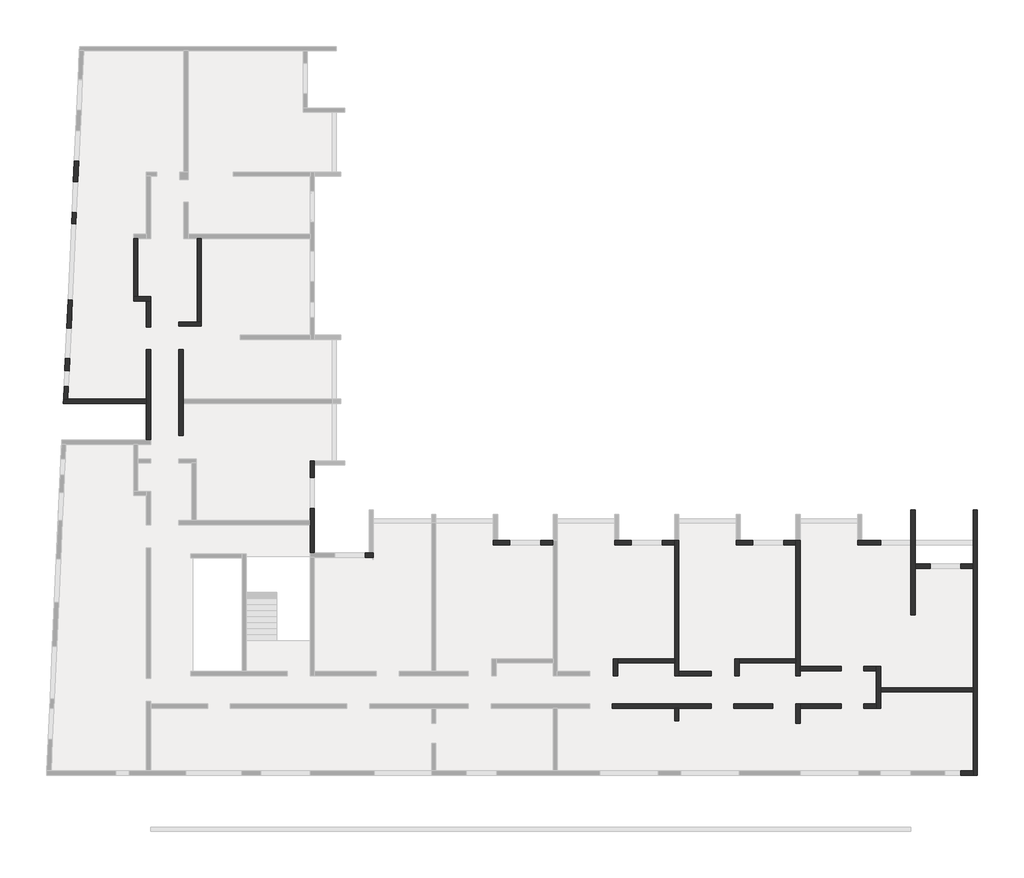
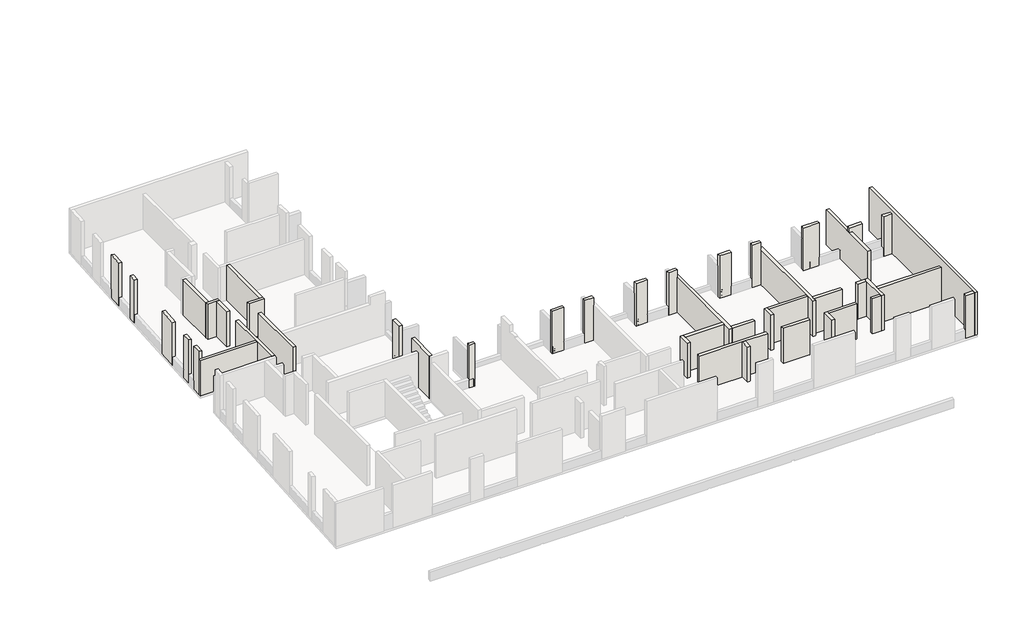
# One storey, part 2 of 5: 45 walls.
"""IFC4 building model written with IfcOpenShell, lengths in millimetres."""

from ifc_helpers import new_model, si_unit, frame, origin, place, context, project, spatial, polyline, outline, extrude, faceted_brep, element, save

model = new_model("IFC4")

# Units and contexts
model_context = context("Model", 3, world=origin())
ifc_project = project(units=[si_unit("LENGTHUNIT", "METRE", prefix="MILLI")], contexts=[model_context])

# Site, building, storey
site = spatial("IfcSite", under=ifc_project)
building = spatial("IfcBuilding", under=site)
storey = spatial("IfcBuildingStorey", under=building, Elevation=19880.0)

# Walls
placement = place(None, origin())
element("IfcWall", 1, ObjectType="MHA20", at=placement, inside=storey, context=model_context, shape_type="Brep", body=[
    faceted_brep([(-2535.6912908, -13279.0672499, 19880.0), (-2535.6912908, -12519.0672499, 19880.0), (-2535.6912908, -12319.0672499, 19880.0), (-2535.6912908, -11329.0672499, 19880.0), (-2535.6912908, -11329.0672499, 22410.0), (-2535.6912908, -12319.0672499, 22410.0), (-2535.6912908, -12519.0672499, 22410.0), (-2535.6912908, -13279.0672499, 22410.0), (-2735.6912908, -13279.0672499, 19880.0), (-2735.6912908, -13279.0672499, 22410.0), (-2735.6912908, -13079.0672499, 22410.0), (-2735.6912908, -11529.0672499, 22410.0), (-2735.6912908, -11329.0672499, 22410.0), (-2735.6912908, -11329.0672499, 19880.0), (-2735.6912908, -11529.0672499, 19880.0), (-2735.6912908, -13079.0672499, 19880.0)], [[[0, 1, 2, 3, 4, 5, 6, 7]], [[8, 9, 10, 11, 12, 13, 14, 15]], [[3, 2, 1, 0, 8, 15, 14, 13]], [[7, 6, 5, 4, 12, 11, 10, 9]], [[4, 3, 13, 12]], [[0, 7, 9, 8]]]),
])
element("IfcWall", 2, ObjectType="MHA20", at=placement, inside=storey, context=model_context, shape_type="SweptSolid", body=[
    extrude(outline(polyline([(1794.3087092, -12519.0672499), (-2535.6912908, -12519.0672499), (-2535.6912908, -12319.0672499), (1794.3087092, -12319.0672499), (1794.3087092, -12519.0672499)])), frame((0.0, 0.0, 19880.0), z_axis=(0.0, 0.0, 1.0), x_axis=(1.0, 0.0, 0.0)), (0.0, 0.0, 1.0), 2530.0),
])
element("IfcWall", 3, ObjectType="MHA20", at=placement, inside=storey, context=model_context, shape_type="Brep", body=[
    faceted_brep([(1994.3087092, -16419.0672499, 19880.0), (1994.3087092, -3999.0672499, 19880.0), (1994.3087092, -3999.0672499, 22960.0), (1994.3087092, -16419.0672499, 22960.0), (1794.3087092, -16419.0672499, 19880.0), (1794.3087092, -16419.0672499, 22960.0), (1794.3087092, -16219.0672499, 22960.0), (1794.3087092, -3999.0672499, 22960.0), (1794.3087092, -3999.0672499, 19880.0), (1794.3087092, -6519.0672499, 19880.0), (1794.3087092, -6719.0672499, 19880.0), (1794.3087092, -12319.0672499, 19880.0), (1794.3087092, -12519.0672499, 19880.0), (1794.3087092, -16219.0672499, 19880.0)], [[[0, 1, 2, 3]], [[4, 5, 6, 7, 8, 9, 10, 11, 12, 13]], [[1, 0, 4, 13, 12, 11, 10, 9, 8]], [[2, 1, 8, 7]], [[3, 2, 7, 6, 5]], [[0, 3, 5, 4]]]),
])
element("IfcWall", 4, ObjectType="MHA20", at=placement, inside=storey, context=model_context, shape_type="SweptSolid", body=[
    extrude(outline(polyline([(-2735.6912908, -11529.0672499), (-3335.6912908, -11529.0672499), (-3335.6912908, -11329.0672499), (-2735.6912908, -11329.0672499), (-2735.6912908, -11529.0672499)])), frame((0.0, 0.0, 19880.0), z_axis=(0.0, 0.0, 1.0), x_axis=(1.0, 0.0, 0.0)), (0.0, 0.0, 1.0), 2530.0),
])
element("IfcWall", 5, ObjectType="MHA20", at=placement, inside=storey, context=model_context, shape_type="SweptSolid", body=[
    extrude(outline(polyline([(-6305.6912908, -11329.0672499), (-4395.6912908, -11329.0672499), (-4395.6912908, -11529.0672499), (-6305.6912908, -11529.0672499), (-6305.6912908, -11329.0672499)])), frame((0.0, 0.0, 19880.0), z_axis=(0.0, 0.0, 1.0), x_axis=(1.0, 0.0, 0.0)), (0.0, 0.0, 1.0), 2530.0),
])
element("IfcWall", 6, ObjectType="MHA20", at=placement, inside=storey, context=model_context, shape_type="SweptSolid", body=[
    extrude(outline(polyline([(-3335.6912908, -13079.0672499), (-2735.6912908, -13079.0672499), (-2735.6912908, -13279.0672499), (-3335.6912908, -13279.0672499), (-3335.6912908, -13079.0672499)])), frame((0.0, 0.0, 19880.0), z_axis=(0.0, 0.0, 1.0), x_axis=(1.0, 0.0, 0.0)), (0.0, 0.0, 1.0), 2530.0),
])
element("IfcWall", 7, ObjectType="MHA20", at=placement, inside=storey, context=model_context, shape_type="Brep", body=[
    faceted_brep([(-6305.6912908, -13989.0672499, 19880.0), (-6305.6912908, -13279.0672499, 19880.0), (-6305.6912908, -13079.0672499, 19880.0), (-6305.6912908, -13079.0672499, 22410.0), (-6305.6912908, -13279.0672499, 22410.0), (-6305.6912908, -13989.0672499, 22410.0), (-6505.6912908, -13989.0672499, 19880.0), (-6505.6912908, -13989.0672499, 22410.0), (-6505.6912908, -13079.0672499, 22410.0), (-6505.6912908, -13079.0672499, 19880.0)], [[[0, 1, 2, 3, 4, 5]], [[6, 7, 8, 9]], [[2, 1, 0, 6, 9]], [[5, 4, 3, 8, 7]], [[0, 5, 7, 6]], [[3, 2, 9, 8]]]),
])
element("IfcWall", 8, ObjectType="MHA20", at=placement, inside=storey, context=model_context, shape_type="Brep", body=[
    faceted_brep([(-6305.6912908, -11759.0672499, 19880.0), (-6305.6912908, -11529.0672499, 19880.0), (-6305.6912908, -11329.0672499, 19880.0), (-6305.6912908, -5419.0672499, 19880.0), (-6305.6912908, -5419.0672499, 22110.0), (-6305.6912908, -5419.0672499, 22410.0), (-6305.6912908, -11329.0672499, 22410.0), (-6305.6912908, -11529.0672499, 22410.0), (-6305.6912908, -11759.0672499, 22410.0), (-6505.6912908, -11759.0672499, 19880.0), (-6505.6912908, -11759.0672499, 22410.0), (-6505.6912908, -11159.0672499, 22410.0), (-6505.6912908, -10959.0672499, 22410.0), (-6505.6912908, -5619.0672499, 22410.0), (-6505.6912908, -5419.0672499, 22410.0), (-6505.6912908, -5419.0672499, 22110.0), (-6505.6912908, -5419.0672499, 19880.0), (-6505.6912908, -5619.0672499, 19880.0), (-6505.6912908, -10959.0672499, 19880.0), (-6505.6912908, -11159.0672499, 19880.0)], [[[0, 1, 2, 3, 4, 5, 6, 7, 8]], [[9, 10, 11, 12, 13, 14, 15, 16, 17, 18, 19]], [[3, 2, 1, 0, 9, 19, 18, 17, 16]], [[8, 7, 6, 5, 14, 13, 12, 11, 10]], [[0, 8, 10, 9]], [[5, 4, 3, 16, 15, 14]]]),
])
element("IfcWall", 9, ObjectType="MHA20", at=placement, inside=storey, context=model_context, shape_type="SweptSolid", body=[
    extrude(outline(polyline([(19880.0, -925.6912908), (19880.0, -225.6912908), (22750.0, -225.6912908), (22750.0, -1125.6912908), (22410.0, -1125.6912908), (22410.0, -925.6912908), (19880.0, -925.6912908)])), frame((0.0, -6719.0672499, 0.0), z_axis=(0.0, 1.0, 0.0), x_axis=(0.0, 0.0, 1.0)), (0.0, 0.0, 1.0), 200.0),
])
element("IfcWall", 10, ObjectType="MHA20", at=placement, inside=storey, context=model_context, shape_type="SweptSolid", body=[
    extrude(outline(polyline([(1794.3087092, -6719.0672499), (1214.3087092, -6719.0672499), (1214.3087092, -6519.0672499), (1794.3087092, -6519.0672499), (1794.3087092, -6719.0672499)])), frame((0.0, 0.0, 19880.0), z_axis=(0.0, 0.0, 1.0), x_axis=(1.0, 0.0, 0.0)), (0.0, 0.0, 1.0), 2870.0),
])
element("IfcWall", 11, ObjectType="MHA20", at=placement, inside=storey, context=model_context, shape_type="Brep", body=[
    faceted_brep([(-1125.6912908, -3999.0672499, 19880.0), (-1125.6912908, -5419.0672499, 19880.0), (-1125.6912908, -5619.0672499, 19880.0), (-1125.6912908, -8899.0672499, 19880.0), (-1125.6912908, -8899.0672499, 22410.0), (-1125.6912908, -3999.0672499, 22410.0), (-925.6912908, -3999.0672499, 19880.0), (-925.6912908, -3999.0672499, 22410.0), (-925.6912908, -6519.0672499, 22410.0), (-925.6912908, -6719.0672499, 22410.0), (-925.6912908, -8899.0672499, 22410.0), (-925.6912908, -8899.0672499, 19880.0), (-925.6912908, -6719.0672499, 19880.0), (-925.6912908, -6519.0672499, 19880.0)], [[[0, 1, 2, 3, 4, 5]], [[6, 7, 8, 9, 10, 11, 12, 13]], [[3, 2, 1, 0, 6, 13, 12, 11]], [[4, 3, 11, 10]], [[5, 4, 10, 9, 8, 7]], [[0, 5, 7, 6]]]),
])
element("IfcWall", 12, ObjectType="MHA20", at=placement, inside=storey, context=model_context, shape_type="Brep", body=[
    faceted_brep([(-3615.6912908, -5619.0672499, 19880.0), (-2545.6912908, -5619.0672499, 19880.0), (-2545.6912908, -5619.0672499, 20480.0), (-2545.6912908, -5619.0672499, 22410.0), (-2545.6912908, -5619.0672499, 22795.0), (-2545.6912908, -5619.0672499, 22945.0), (-3615.6912908, -5619.0672499, 22945.0), (-3615.6912908, -5619.0672499, 22795.0), (-3615.6912908, -5619.0672499, 22410.0), (-3615.6912908, -5419.0672499, 19880.0), (-3615.6912908, -5419.0672499, 22110.0), (-3615.6912908, -5419.0672499, 22410.0), (-3615.6912908, -5419.0672499, 22796.8518519), (-3615.6912908, -5419.0672499, 22945.0), (-2545.6912908, -5419.0672499, 22945.0), (-2545.6912908, -5419.0672499, 22796.8518519), (-2545.6912908, -5419.0672499, 22410.0), (-2545.6912908, -5419.0672499, 20480.0), (-2545.6912908, -5419.0672499, 19880.0), (-3415.6912908, -5419.0672499, 19880.0)], [[[0, 1, 2, 3, 4, 5, 6, 7, 8]], [[9, 10, 11, 12, 13, 14, 15, 16, 17, 18, 19]], [[1, 0, 9, 19, 18]], [[5, 4, 3, 2, 1, 18, 17, 16, 15, 14]], [[6, 5, 14, 13]], [[0, 8, 7, 6, 13, 12, 11, 10, 9]]]),
])
element("IfcWall", 13, ObjectType="MHA20", at=placement, inside=storey, context=model_context, shape_type="SweptSolid", body=[
    extrude(outline(polyline([(-11995.6912908, -13279.0672499), (-11995.6912908, -13879.0672499), (-12195.6912908, -13879.0672499), (-12195.6912908, -13279.0672499), (-11995.6912908, -13279.0672499)])), frame((0.0, 0.0, 19880.0), z_axis=(0.0, 0.0, 1.0), x_axis=(1.0, 0.0, 0.0)), (0.0, 0.0, 1.0), 2530.0),
])
element("IfcWall", 14, ObjectType="MHA20", at=placement, inside=storey, context=model_context, shape_type="Brep", body=[
    faceted_brep([(-11995.6912908, -11759.0672499, 19880.0), (-11995.6912908, -11559.0672499, 19880.0), (-11995.6912908, -5419.0672499, 19880.0), (-11995.6912908, -5419.0672499, 22110.0), (-11995.6912908, -5419.0672499, 22410.0), (-11995.6912908, -11559.0672499, 22410.0), (-11995.6912908, -11759.0672499, 22410.0), (-12195.6912908, -11759.0672499, 19880.0), (-12195.6912908, -11759.0672499, 22410.0), (-12195.6912908, -11159.0672499, 22410.0), (-12195.6912908, -10959.0672499, 22410.0), (-12195.6912908, -5619.0672499, 22410.0), (-12195.6912908, -5419.0672499, 22410.0), (-12195.6912908, -5419.0672499, 22110.0), (-12195.6912908, -5419.0672499, 19880.0), (-12195.6912908, -5619.0672499, 19880.0), (-12195.6912908, -10959.0672499, 19880.0), (-12195.6912908, -11159.0672499, 19880.0)], [[[0, 1, 2, 3, 4, 5, 6]], [[7, 8, 9, 10, 11, 12, 13, 14, 15, 16, 17]], [[2, 1, 0, 7, 17, 16, 15, 14]], [[6, 5, 4, 12, 11, 10, 9, 8]], [[0, 6, 8, 7]], [[4, 3, 2, 14, 13, 12]]]),
])
element("IfcWall", 15, ObjectType="MHA20", at=placement, inside=storey, context=model_context, shape_type="Brep", body=[
    faceted_brep([(-9305.6912908, -5619.0672499, 19880.0), (-8525.6912908, -5619.0672499, 19880.0), (-8525.6912908, -5619.0672499, 20480.0), (-8525.6912908, -5619.0672499, 22410.0), (-8525.6912908, -5619.0672499, 22945.0), (-9305.6912908, -5619.0672499, 22945.0), (-9305.6912908, -5619.0672499, 22410.0), (-9305.6912908, -5419.0672499, 19880.0), (-9305.6912908, -5419.0672499, 22110.0), (-9305.6912908, -5419.0672499, 22410.0), (-9305.6912908, -5419.0672499, 22945.0), (-8525.6912908, -5419.0672499, 22945.0), (-8525.6912908, -5419.0672499, 22410.0), (-8525.6912908, -5419.0672499, 20480.0), (-8525.6912908, -5419.0672499, 19880.0), (-9105.6912908, -5419.0672499, 19880.0)], [[[0, 1, 2, 3, 4, 5, 6]], [[7, 8, 9, 10, 11, 12, 13, 14, 15]], [[1, 0, 7, 15, 14]], [[4, 3, 2, 1, 14, 13, 12, 11]], [[5, 4, 11, 10]], [[0, 6, 5, 10, 9, 8, 7]]]),
])
element("IfcWall", 16, ObjectType="MHA20", at=placement, inside=storey, context=model_context, shape_type="Brep", body=[
    faceted_brep([(-14995.6912908, -5619.0672499, 19880.0), (-14215.6912908, -5619.0672499, 19880.0), (-14215.6912908, -5619.0672499, 20480.0), (-14215.6912908, -5619.0672499, 22410.0), (-14215.6912908, -5619.0672499, 22795.0), (-14215.6912908, -5619.0672499, 22945.0), (-14995.6912908, -5619.0672499, 22945.0), (-14995.6912908, -5619.0672499, 22795.0), (-14995.6912908, -5619.0672499, 22410.0), (-14995.6912908, -5419.0672499, 19880.0), (-14995.6912908, -5419.0672499, 22110.0), (-14995.6912908, -5419.0672499, 22410.0), (-14995.6912908, -5419.0672499, 22796.8518519), (-14995.6912908, -5419.0672499, 22945.0), (-14215.6912908, -5419.0672499, 22945.0), (-14215.6912908, -5419.0672499, 22796.8518519), (-14215.6912908, -5419.0672499, 22410.0), (-14215.6912908, -5419.0672499, 20480.0), (-14215.6912908, -5419.0672499, 19880.0), (-14795.6912908, -5419.0672499, 19880.0)], [[[0, 1, 2, 3, 4, 5, 6, 7, 8]], [[9, 10, 11, 12, 13, 14, 15, 16, 17, 18, 19]], [[1, 0, 9, 19, 18]], [[5, 4, 3, 2, 1, 18, 17, 16, 15, 14]], [[6, 5, 14, 13]], [[0, 8, 7, 6, 13, 12, 11, 10, 9]]]),
])
element("IfcWall", 17, ObjectType="MHA20", at=placement, inside=storey, context=model_context, shape_type="Brep", body=[
    faceted_brep([(-12775.6912908, -5619.0672499, 19880.0), (-12195.6912908, -5619.0672499, 19880.0), (-12195.6912908, -5619.0672499, 22410.0), (-12195.6912908, -5619.0672499, 22945.0), (-12775.6912908, -5619.0672499, 22945.0), (-12775.6912908, -5619.0672499, 22795.0), (-12775.6912908, -5619.0672499, 22410.0), (-12775.6912908, -5619.0672499, 20480.0), (-12775.6912908, -5419.0672499, 19880.0), (-12775.6912908, -5419.0672499, 20480.0), (-12775.6912908, -5419.0672499, 22410.0), (-12775.6912908, -5419.0672499, 22796.8518519), (-12775.6912908, -5419.0672499, 22945.0), (-12195.6912908, -5419.0672499, 22945.0), (-12195.6912908, -5419.0672499, 22410.0), (-12195.6912908, -5419.0672499, 19880.0)], [[[0, 1, 2, 3, 4, 5, 6, 7]], [[8, 9, 10, 11, 12, 13, 14, 15]], [[1, 0, 8, 15]], [[4, 3, 13, 12]], [[0, 7, 6, 5, 4, 12, 11, 10, 9, 8]], [[3, 2, 1, 15, 14, 13]]]),
])
element("IfcWall", 18, ObjectType="MHA20", at=placement, inside=storey, context=model_context, shape_type="Brep", body=[
    faceted_brep([(-20685.6912908, -5619.0672499, 19880.0), (-19905.6912908, -5619.0672499, 19880.0), (-19905.6912908, -5619.0672499, 20480.0), (-19905.6912908, -5619.0672499, 22260.0), (-19905.6912908, -5619.0672499, 22795.0), (-19905.6912908, -5619.0672499, 22945.0), (-20685.6912908, -5619.0672499, 22945.0), (-20685.6912908, -5619.0672499, 22795.0), (-20685.6912908, -5619.0672499, 22260.0), (-20685.6912908, -5419.0672499, 19880.0), (-20685.6912908, -5419.0672499, 22110.0), (-20685.6912908, -5419.0672499, 22260.0), (-20685.6912908, -5419.0672499, 22796.8518519), (-20685.6912908, -5419.0672499, 22945.0), (-19905.6912908, -5419.0672499, 22945.0), (-19905.6912908, -5419.0672499, 22796.8518519), (-19905.6912908, -5419.0672499, 22260.0), (-19905.6912908, -5419.0672499, 20480.0), (-19905.6912908, -5419.0672499, 19880.0), (-20485.6912908, -5419.0672499, 19880.0)], [[[0, 1, 2, 3, 4, 5, 6, 7, 8]], [[9, 10, 11, 12, 13, 14, 15, 16, 17, 18, 19]], [[1, 0, 9, 19, 18]], [[5, 4, 3, 2, 1, 18, 17, 16, 15, 14]], [[6, 5, 14, 13]], [[0, 8, 7, 6, 13, 12, 11, 10, 9]]]),
])
element("IfcWall", 19, ObjectType="MHA20", at=placement, inside=storey, context=model_context, shape_type="Brep", body=[
    faceted_brep([(-18465.6912908, -5619.0672499, 19880.0), (-17885.6912908, -5619.0672499, 19880.0), (-17885.6912908, -5619.0672499, 22410.0), (-17885.6912908, -5619.0672499, 22795.0), (-17885.6912908, -5619.0672499, 22945.0), (-18465.6912908, -5619.0672499, 22945.0), (-18465.6912908, -5619.0672499, 22795.0), (-18465.6912908, -5619.0672499, 22260.0), (-18465.6912908, -5619.0672499, 20480.0), (-18465.6912908, -5419.0672499, 19880.0), (-18465.6912908, -5419.0672499, 20480.0), (-18465.6912908, -5419.0672499, 22260.0), (-18465.6912908, -5419.0672499, 22796.8518519), (-18465.6912908, -5419.0672499, 22945.0), (-17885.6912908, -5419.0672499, 22945.0), (-17885.6912908, -5419.0672499, 22796.8518519), (-17885.6912908, -5419.0672499, 22410.0), (-17885.6912908, -5419.0672499, 19880.0)], [[[0, 1, 2, 3, 4, 5, 6, 7, 8]], [[9, 10, 11, 12, 13, 14, 15, 16, 17]], [[1, 0, 9, 17]], [[5, 4, 14, 13]], [[0, 8, 7, 6, 5, 13, 12, 11, 10, 9]], [[4, 3, 2, 1, 17, 16, 15, 14]]]),
])
element("IfcWall", 20, ObjectType="MHA20", at=placement, inside=storey, context=model_context, shape_type="SweptSolid", body=[
    extrude(outline(polyline([(-9410.6912908, -13079.0672499), (-7595.6912908, -13079.0672499), (-7595.6912908, -13279.0672499), (-9410.6912908, -13279.0672499), (-9410.6912908, -13079.0672499)])), frame((0.0, 0.0, 19880.0), z_axis=(0.0, 0.0, 1.0), x_axis=(1.0, 0.0, 0.0)), (0.0, 0.0, 1.0), 2530.0),
])
element("IfcWall", 21, ObjectType="MHA20", at=placement, inside=storey, context=model_context, shape_type="SweptSolid", body=[
    extrude(outline(polyline([(-11995.6912908, -11559.0672499), (-10470.6912908, -11559.0672499), (-10470.6912908, -11759.0672499), (-11995.6912908, -11759.0672499), (-11995.6912908, -11559.0672499)])), frame((0.0, 0.0, 19880.0), z_axis=(0.0, 0.0, 1.0), x_axis=(1.0, 0.0, 0.0)), (0.0, 0.0, 1.0), 2530.0),
])
element("IfcWall", 22, ObjectType="MHA20", at=placement, inside=storey, context=model_context, shape_type="Brep", body=[
    faceted_brep([(-9170.6912908, -11759.0672499, 19880.0), (-9170.6912908, -11159.0672499, 19880.0), (-9170.6912908, -10959.0672499, 19880.0), (-9170.6912908, -10959.0672499, 22410.0), (-9170.6912908, -11159.0672499, 22410.0), (-9170.6912908, -11759.0672499, 22410.0), (-9370.6912908, -11759.0672499, 19880.0), (-9370.6912908, -11759.0672499, 22410.0), (-9370.6912908, -10959.0672499, 22410.0), (-9370.6912908, -10959.0672499, 19880.0)], [[[0, 1, 2, 3, 4, 5]], [[6, 7, 8, 9]], [[2, 1, 0, 6, 9]], [[5, 4, 3, 8, 7]], [[0, 5, 7, 6]], [[3, 2, 9, 8]]]),
])
element("IfcWall", 23, ObjectType="MHA20", at=placement, inside=storey, context=model_context, shape_type="SweptSolid", body=[
    extrude(outline(polyline([(-6505.6912908, -11159.0672499), (-9170.6912908, -11159.0672499), (-9170.6912908, -10959.0672499), (-6505.6912908, -10959.0672499), (-6505.6912908, -11159.0672499)])), frame((0.0, 0.0, 19880.0), z_axis=(0.0, 0.0, 1.0), x_axis=(1.0, 0.0, 0.0)), (0.0, 0.0, 1.0), 2530.0),
])
element("IfcWall", 24, ObjectType="MHA20", at=placement, inside=storey, context=model_context, shape_type="Brep", body=[
    faceted_brep([(-14860.6912908, -11759.0672499, 19880.0), (-14860.6912908, -11159.0672499, 19880.0), (-14860.6912908, -10959.0672499, 19880.0), (-14860.6912908, -10959.0672499, 22410.0), (-14860.6912908, -11159.0672499, 22410.0), (-14860.6912908, -11759.0672499, 22410.0), (-15060.6912908, -11759.0672499, 19880.0), (-15060.6912908, -11759.0672499, 22410.0), (-15060.6912908, -10959.0672499, 22410.0), (-15060.6912908, -10959.0672499, 19880.0)], [[[0, 1, 2, 3, 4, 5]], [[6, 7, 8, 9]], [[2, 1, 0, 6, 9]], [[5, 4, 3, 8, 7]], [[0, 5, 7, 6]], [[3, 2, 9, 8]]]),
])
element("IfcWall", 25, ObjectType="MHA20", at=placement, inside=storey, context=model_context, shape_type="SweptSolid", body=[
    extrude(outline(polyline([(-12195.6912908, -11159.0672499), (-14860.6912908, -11159.0672499), (-14860.6912908, -10959.0672499), (-12195.6912908, -10959.0672499), (-12195.6912908, -11159.0672499)])), frame((0.0, 0.0, 19880.0), z_axis=(0.0, 0.0, 1.0), x_axis=(1.0, 0.0, 0.0)), (0.0, 0.0, 1.0), 2530.0),
])
element("IfcWall", 26, ObjectType="MHA20", at=placement, inside=storey, context=model_context, shape_type="Brep", body=[
    faceted_brep([(-26675.6912908, -6204.0672499, 19880.0), (-26295.6912908, -6204.0672499, 19880.0), (-26295.6912908, -6204.0672499, 22260.0), (-26295.6912908, -6204.0672499, 22960.0), (-26675.6912908, -6204.0672499, 22960.0), (-26675.6912908, -6204.0672499, 22260.0), (-26675.6912908, -6204.0672499, 20480.0), (-26675.6912908, -6004.0672499, 19880.0), (-26675.6912908, -6004.0672499, 20480.0), (-26675.6912908, -6004.0672499, 22260.0), (-26675.6912908, -6004.0672499, 22960.0), (-26495.6912908, -6004.0672499, 22960.0), (-26295.6912908, -6004.0672499, 22960.0), (-26295.6912908, -6004.0672499, 22260.0), (-26295.6912908, -6004.0672499, 22110.0), (-26295.6912908, -6004.0672499, 19880.0), (-26495.6912908, -6004.0672499, 19880.0)], [[[0, 1, 2, 3, 4, 5, 6]], [[7, 8, 9, 10, 11, 12, 13, 14, 15, 16]], [[1, 0, 7, 16, 15]], [[3, 2, 1, 15, 14, 13, 12]], [[4, 3, 12, 11, 10]], [[0, 6, 5, 4, 10, 9, 8, 7]]]),
])
element("IfcWall", 27, ObjectType="MHA20", at=placement, inside=storey, context=model_context, shape_type="Brep", body=[
    faceted_brep([(-35205.6912908, -509.0672499, 19880.0), (-35205.6912908, 1000.9327501, 19880.0), (-35205.6912908, 1200.9327501, 19880.0), (-35205.6912908, 3530.9327501, 19880.0), (-35205.6912908, 3530.9327501, 22410.0), (-35205.6912908, 1200.9327501, 22410.0), (-35205.6912908, 1000.9327501, 22410.0), (-35205.6912908, -509.0672499, 22410.0), (-35405.6912908, -509.0672499, 19880.0), (-35405.6912908, -509.0672499, 22410.0), (-35405.6912908, 3530.9327501, 22410.0), (-35405.6912908, 3530.9327501, 19880.0)], [[[0, 1, 2, 3, 4, 5, 6, 7]], [[8, 9, 10, 11]], [[3, 2, 1, 0, 8, 11]], [[4, 3, 11, 10]], [[7, 6, 5, 4, 10, 9]], [[0, 7, 9, 8]]]),
])
element("IfcWall", 28, ObjectType="MHA20", at=placement, inside=storey, context=model_context, shape_type="Brep", body=[
    faceted_brep([(-40818.7913521, 1000.9327501, 19880.0), (-36935.6912908, 1000.9327501, 19880.0), (-36935.6912908, 1000.9327501, 22410.0), (-40618.5856603, 1000.9327501, 22410.0), (-40818.7913521, 1000.9327501, 22410.0), (-40809.7183696, 1200.9327501, 19880.0), (-40809.7183696, 1200.9327501, 22410.0), (-40609.5126779, 1200.9327501, 22410.0), (-36935.6912908, 1200.9327501, 22410.0), (-36935.6912908, 1200.9327501, 19880.0), (-40609.5126779, 1200.9327501, 19880.0)], [[[0, 1, 2, 3, 4]], [[5, 6, 7, 8, 9, 10]], [[1, 0, 5, 10, 9]], [[4, 3, 2, 8, 7, 6]], [[2, 1, 9, 8]], [[0, 4, 6, 5]]]),
])
element("IfcWall", 29, ObjectType="MHA20", at=placement, inside=storey, context=model_context, shape_type="Brep", body=[
    faceted_brep([(-29065.6912908, -2469.0672499, 19880.0), (-29065.6912908, -1889.5482142, 19880.0), (-29065.6912908, -1689.5482142, 19880.0), (-29065.6912908, -1689.5482142, 22110.0), (-29065.6912908, -1689.5482142, 22260.0), (-29065.6912908, -1689.5482142, 22410.0), (-29065.6912908, -1689.5482142, 22945.0), (-29065.6912908, -1689.5482142, 22960.0), (-29065.6912908, -1889.5482142, 22960.0), (-29065.6912908, -2469.0672499, 22960.0), (-29065.6912908, -2469.0672499, 22410.0), (-29065.6912908, -2469.0672499, 20480.0), (-29265.6912908, -2469.0672499, 19880.0), (-29265.6912908, -2469.0672499, 20480.0), (-29265.6912908, -2469.0672499, 22410.0), (-29265.6912908, -2469.0672499, 22960.0), (-29265.6912908, -1689.5482142, 22960.0), (-29265.6912908, -1689.5482142, 22945.0), (-29265.6912908, -1689.5482142, 22410.0), (-29265.6912908, -1689.5482142, 19880.0)], [[[0, 1, 2, 3, 4, 5, 6, 7, 8, 9, 10, 11]], [[12, 13, 14, 15, 16, 17, 18, 19]], [[2, 1, 0, 12, 19]], [[7, 6, 5, 4, 3, 2, 19, 18, 17, 16]], [[9, 8, 7, 16, 15]], [[0, 11, 10, 9, 15, 14, 13, 12]]]),
])
element("IfcWall", 30, ObjectType="MHA20", at=placement, inside=storey, context=model_context, shape_type="Brep", body=[
    faceted_brep([(-35405.6912908, 4620.9327501, 19880.0), (-34355.6912908, 4620.9327501, 19880.0), (-34355.6912908, 4620.9327501, 22410.0), (-35405.6912908, 4620.9327501, 22410.0), (-35405.6912908, 4820.9327501, 19880.0), (-35405.6912908, 4820.9327501, 22410.0), (-34555.6912908, 4820.9327501, 22410.0), (-34355.6912908, 4820.9327501, 22410.0), (-34355.6912908, 4820.9327501, 19880.0), (-34555.6912908, 4820.9327501, 19880.0)], [[[0, 1, 2, 3]], [[4, 5, 6, 7, 8, 9]], [[1, 0, 4, 9, 8]], [[3, 2, 7, 6, 5]], [[0, 3, 5, 4]], [[2, 1, 8, 7]]]),
])
element("IfcWall", 31, ObjectType="MHA20", at=placement, inside=storey, context=model_context, shape_type="SweptSolid", body=[
    extrude(outline(polyline([(-34355.6912908, 8730.9327501), (-34355.6912908, 4820.9327501), (-34555.6912908, 4820.9327501), (-34555.6912908, 8730.9327501), (-34355.6912908, 8730.9327501)])), frame((0.0, 0.0, 19880.0), z_axis=(0.0, 0.0, 1.0), x_axis=(1.0, 0.0, 0.0)), (0.0, 0.0, 1.0), 2530.0),
])
element("IfcWall", 32, ObjectType="MHA20", at=placement, inside=storey, context=model_context, shape_type="Brep", body=[
    faceted_brep([(-36735.6912908, -714.0672499, 19880.0), (-36735.6912908, 3530.9327501, 19880.0), (-36735.6912908, 3530.9327501, 22410.0), (-36735.6912908, -714.0672499, 22410.0), (-36935.6912908, -714.0672499, 19880.0), (-36935.6912908, -714.0672499, 22410.0), (-36935.6912908, 1000.9327501, 22410.0), (-36935.6912908, 1200.9327501, 22410.0), (-36935.6912908, 3530.9327501, 22410.0), (-36935.6912908, 3530.9327501, 19880.0), (-36935.6912908, 1200.9327501, 19880.0), (-36935.6912908, 1000.9327501, 19880.0)], [[[0, 1, 2, 3]], [[4, 5, 6, 7, 8, 9, 10, 11]], [[1, 0, 4, 11, 10, 9]], [[2, 1, 9, 8]], [[3, 2, 8, 7, 6, 5]], [[0, 3, 5, 4]]]),
])
element("IfcWall", 33, ObjectType="MHA20", at=placement, inside=storey, context=model_context, shape_type="SweptSolid", body=[
    extrude(outline(polyline([(-37535.6912908, 6010.9327501), (-37535.6912908, 8730.9327501), (-37335.6912908, 8730.9327501), (-37335.6912908, 6010.9327501), (-37535.6912908, 6010.9327501)])), frame((0.0, 0.0, 19880.0), z_axis=(0.0, 0.0, 1.0), x_axis=(1.0, 0.0, 0.0)), (0.0, 0.0, 1.0), 2530.0),
])
element("IfcWall", 34, ObjectType="MHA20", at=placement, inside=storey, context=model_context, shape_type="Brep", body=[
    faceted_brep([(-37535.6912908, 5810.9327501, 19880.0), (-36935.6912908, 5810.9327501, 19880.0), (-36735.6912908, 5810.9327501, 19880.0), (-36735.6912908, 5810.9327501, 22410.0), (-36935.6912908, 5810.9327501, 22410.0), (-37535.6912908, 5810.9327501, 22410.0), (-37535.6912908, 6010.9327501, 19880.0), (-37535.6912908, 6010.9327501, 22410.0), (-37335.6912908, 6010.9327501, 22410.0), (-36735.6912908, 6010.9327501, 22410.0), (-36735.6912908, 6010.9327501, 19880.0), (-37335.6912908, 6010.9327501, 19880.0)], [[[0, 1, 2, 3, 4, 5]], [[6, 7, 8, 9, 10, 11]], [[2, 1, 0, 6, 11, 10]], [[5, 4, 3, 9, 8, 7]], [[0, 5, 7, 6]], [[3, 2, 10, 9]]]),
])
element("IfcWall", 35, ObjectType="MHA20", at=placement, inside=storey, context=model_context, shape_type="Brep", body=[
    faceted_brep([(-7085.6912908, -5619.0672499, 19880.0), (-6505.6912908, -5619.0672499, 19880.0), (-6505.6912908, -5619.0672499, 22410.0), (-6505.6912908, -5619.0672499, 22795.0), (-6505.6912908, -5619.0672499, 22945.0), (-7085.6912908, -5619.0672499, 22945.0), (-7085.6912908, -5619.0672499, 22410.0), (-7085.6912908, -5619.0672499, 20480.0), (-7085.6912908, -5419.0672499, 19880.0), (-7085.6912908, -5419.0672499, 20480.0), (-7085.6912908, -5419.0672499, 22410.0), (-7085.6912908, -5419.0672499, 22945.0), (-6505.6912908, -5419.0672499, 22945.0), (-6505.6912908, -5419.0672499, 22796.8518519), (-6505.6912908, -5419.0672499, 22410.0), (-6505.6912908, -5419.0672499, 19880.0)], [[[0, 1, 2, 3, 4, 5, 6, 7]], [[8, 9, 10, 11, 12, 13, 14, 15]], [[1, 0, 8, 15]], [[5, 4, 12, 11]], [[0, 7, 6, 5, 11, 10, 9, 8]], [[4, 3, 2, 1, 15, 14, 13, 12]]]),
])
element("IfcWall", 36, ObjectType="MHA20", at=placement, inside=storey, context=model_context, shape_type="SweptSolid", body=[
    extrude(outline(polyline([(1794.3087092, -16419.0672499), (1204.3087092, -16419.0672499), (1204.3087092, -16219.0672499), (1794.3087092, -16219.0672499), (1794.3087092, -16419.0672499)])), frame((0.0, 0.0, 19880.0), z_axis=(0.0, 0.0, 1.0), x_axis=(1.0, 0.0, 0.0)), (0.0, 0.0, 1.0), 3080.0),
])
element("IfcWall", 37, ObjectType="MHA20", at=placement, inside=storey, context=model_context, shape_type="Brep", body=[
    faceted_brep([(-40303.6745126, 12355.8944008, 19880.0), (-40347.1800848, 11396.8807068, 19880.0), (-40347.1800848, 11396.8807068, 20480.0), (-40347.1800848, 11396.8807068, 22410.0), (-40347.1800848, 11396.8807068, 22960.0), (-40303.6745126, 12355.8944008, 22960.0), (-40303.6745126, 12355.8944008, 22410.0), (-40303.6745126, 12355.8944008, 20480.0), (-40103.8799931, 12346.8307399, 19880.0), (-40103.8799931, 12346.8307399, 20480.0), (-40103.8799931, 12346.8307399, 22410.0), (-40103.8799931, 12346.8307399, 22960.0), (-40147.3855652, 11387.817046, 22960.0), (-40147.3855652, 11387.817046, 22410.0), (-40147.3855652, 11387.817046, 20480.0), (-40147.3855652, 11387.817046, 19880.0)], [[[0, 1, 2, 3, 4, 5, 6, 7]], [[8, 9, 10, 11, 12, 13, 14, 15]], [[1, 0, 8, 15]], [[4, 3, 2, 1, 15, 14, 13, 12]], [[5, 4, 12, 11]], [[0, 7, 6, 5, 11, 10, 9, 8]]]),
])
element("IfcWall", 38, ObjectType="MHA20", at=placement, inside=storey, context=model_context, shape_type="Brep", body=[
    faceted_brep([(-40412.4384429, 9958.3601659, 19880.0), (-40436.6837357, 9423.909826, 19880.0), (-40436.6837357, 9423.909826, 20480.0), (-40436.6837357, 9423.909826, 22410.0), (-40436.6837357, 9423.909826, 22960.0), (-40412.4384429, 9958.3601659, 22960.0), (-40412.4384429, 9958.3601659, 22410.0), (-40412.4384429, 9958.3601659, 20480.0), (-40212.6439234, 9949.296505, 19880.0), (-40212.6439234, 9949.296505, 20480.0), (-40212.6439234, 9949.296505, 22410.0), (-40212.6439234, 9949.296505, 22960.0), (-40236.8892162, 9414.8461652, 22960.0), (-40236.8892162, 9414.8461652, 22410.0), (-40236.8892162, 9414.8461652, 20480.0), (-40236.8892162, 9414.8461652, 19880.0)], [[[0, 1, 2, 3, 4, 5, 6, 7]], [[8, 9, 10, 11, 12, 13, 14, 15]], [[1, 0, 8, 15]], [[4, 3, 2, 1, 15, 14, 13, 12]], [[5, 4, 12, 11]], [[0, 7, 6, 5, 11, 10, 9, 8]]]),
])
element("IfcWall", 39, ObjectType="MHA20", at=placement, inside=storey, context=model_context, shape_type="Brep", body=[
    faceted_brep([(-40598.016899, 5867.5673776, 19880.0), (-40658.0636522, 4543.9286854, 19880.0), (-40658.0636522, 4543.9286854, 20480.0), (-40658.0636522, 4543.9286854, 22410.0), (-40658.0636522, 4543.9286854, 22960.0), (-40598.016899, 5867.5673776, 22960.0), (-40598.016899, 5867.5673776, 22410.0), (-40598.016899, 5867.5673776, 20480.0), (-40398.2223794, 5858.5037168, 19880.0), (-40398.2223794, 5858.5037168, 20480.0), (-40398.2223794, 5858.5037168, 22410.0), (-40398.2223794, 5858.5037168, 22960.0), (-40458.2691326, 4534.8650246, 22960.0), (-40458.2691326, 4534.8650246, 22410.0), (-40458.2691326, 4534.8650246, 20480.0), (-40458.2691326, 4534.8650246, 19880.0)], [[[0, 1, 2, 3, 4, 5, 6, 7]], [[8, 9, 10, 11, 12, 13, 14, 15]], [[1, 0, 8, 15]], [[4, 3, 2, 1, 15, 14, 13, 12]], [[5, 4, 12, 11]], [[0, 7, 6, 5, 11, 10, 9, 8]]]),
])
element("IfcWall", 40, ObjectType="MHA20", at=placement, inside=storey, context=model_context, shape_type="Brep", body=[
    faceted_brep([(-40609.5126779, 1200.9327501, 19880.0), (-40582.6678779, 1792.6852434, 19880.0), (-40582.6678779, 1792.6852434, 20480.0), (-40582.6678779, 1792.6852434, 22410.0), (-40582.6678779, 1792.6852434, 22960.0), (-40609.5126779, 1200.9327501, 22960.0), (-40609.5126779, 1200.9327501, 22410.0), (-40809.7183696, 1200.9327501, 19880.0), (-40809.7183696, 1200.9327501, 22410.0), (-40809.7183696, 1200.9327501, 22960.0), (-40782.4623975, 1801.7489043, 22960.0), (-40782.4623975, 1801.7489043, 22410.0), (-40782.4623975, 1801.7489043, 20480.0), (-40782.4623975, 1801.7489043, 19880.0)], [[[0, 1, 2, 3, 4, 5, 6]], [[7, 8, 9, 10, 11, 12, 13]], [[1, 0, 7, 13]], [[4, 3, 2, 1, 13, 12, 11, 10]], [[5, 4, 10, 9]], [[0, 6, 5, 9, 8, 7]]]),
])
element("IfcWall", 41, ObjectType="MHA20", at=placement, inside=storey, context=model_context, shape_type="Brep", body=[
    faceted_brep([(-40723.3220104, 3105.4081445, 19880.0), (-40748.9268523, 2540.9886267, 19880.0), (-40748.9268523, 2540.9886267, 20480.0), (-40748.9268523, 2540.9886267, 22410.0), (-40748.9268523, 2540.9886267, 22960.0), (-40723.3220104, 3105.4081445, 22960.0), (-40723.3220104, 3105.4081445, 22410.0), (-40723.3220104, 3105.4081445, 20480.0), (-40523.5274908, 3096.3444836, 19880.0), (-40523.5274908, 3096.3444836, 20480.0), (-40523.5274908, 3096.3444836, 22410.0), (-40523.5274908, 3096.3444836, 22960.0), (-40549.1323327, 2531.9249658, 22960.0), (-40549.1323327, 2531.9249658, 22410.0), (-40549.1323327, 2531.9249658, 20480.0), (-40549.1323327, 2531.9249658, 19880.0)], [[[0, 1, 2, 3, 4, 5, 6, 7]], [[8, 9, 10, 11, 12, 13, 14, 15]], [[1, 0, 8, 15]], [[4, 3, 2, 1, 15, 14, 13, 12]], [[5, 4, 12, 11]], [[0, 7, 6, 5, 11, 10, 9, 8]]]),
])
element("IfcWall", 42, ObjectType="MHA20", at=placement, inside=storey, context=model_context, shape_type="Brep", body=[
    faceted_brep([(-29065.6912908, -6004.0672499, 22960.0), (-29065.6912908, -6004.0672499, 19880.0), (-29065.6912908, -3909.0672499, 19880.0), (-29065.6912908, -3909.0672499, 20480.0), (-29065.6912908, -3909.0672499, 22410.0), (-29065.6912908, -3909.0672499, 22960.0), (-29265.6912908, -6004.0672499, 19880.0), (-29265.6912908, -6004.0672499, 22960.0), (-29265.6912908, -3909.0672499, 22960.0), (-29265.6912908, -3909.0672499, 22410.0), (-29265.6912908, -3909.0672499, 20480.0), (-29265.6912908, -3909.0672499, 19880.0), (-29265.6912908, -4489.0672499, 19880.0), (-29265.6912908, -4689.0672499, 19880.0)], [[[0, 1, 2, 3, 4, 5]], [[6, 7, 8, 9, 10, 11, 12, 13]], [[2, 1, 6, 13, 12, 11]], [[5, 4, 3, 2, 11, 10, 9, 8]], [[0, 5, 8, 7]], [[0, 7, 6, 1]]]),
])
element("IfcWall", 43, ObjectType="MHA20", at=placement, inside=storey, context=model_context, shape_type="SweptSolid", body=[
    extrude(outline(polyline([(-6305.6912908, -13079.0672499), (-4395.6912908, -13079.0672499), (-4395.6912908, -13279.0672499), (-6305.6912908, -13279.0672499), (-6305.6912908, -13079.0672499)])), frame((0.0, 0.0, 19880.0), z_axis=(0.0, 0.0, 1.0), x_axis=(1.0, 0.0, 0.0)), (0.0, 0.0, 1.0), 2530.0),
])
element("IfcWall", 44, ObjectType="MHA20", at=placement, inside=storey, context=model_context, shape_type="Brep", body=[
    faceted_brep([(-10470.6912908, -13079.0672499, 22410.0), (-10470.6912908, -13079.0672499, 19880.0), (-15100.6912908, -13079.0672499, 19880.0), (-15100.6912908, -13079.0672499, 22410.0), (-10470.6912908, -13279.0672499, 22410.0), (-11995.6912908, -13279.0672499, 22410.0), (-12195.6912908, -13279.0672499, 22410.0), (-15100.6912908, -13279.0672499, 22410.0), (-15100.6912908, -13279.0672499, 19880.0), (-12195.6912908, -13279.0672499, 19880.0), (-11995.6912908, -13279.0672499, 19880.0), (-10470.6912908, -13279.0672499, 19880.0)], [[[0, 1, 2, 3]], [[4, 5, 6, 7, 8, 9, 10, 11]], [[3, 2, 8, 7]], [[2, 1, 11, 10, 9, 8]], [[1, 0, 4, 11]], [[0, 3, 7, 6, 5, 4]]]),
])
element("IfcWall", 45, ObjectType="MHA20", at=placement, inside=storey, context=model_context, shape_type="SweptSolid", body=[
    extrude(outline(polyline([(-36735.6912908, 5810.9327501), (-36735.6912908, 4590.9327501), (-36935.6912908, 4590.9327501), (-36935.6912908, 5810.9327501), (-36735.6912908, 5810.9327501)])), frame((0.0, 0.0, 19880.0), z_axis=(0.0, 0.0, 1.0), x_axis=(1.0, 0.0, 0.0)), (0.0, 0.0, 1.0), 2530.0),
])

save(model, "model.ifc")
